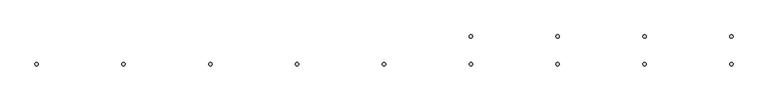
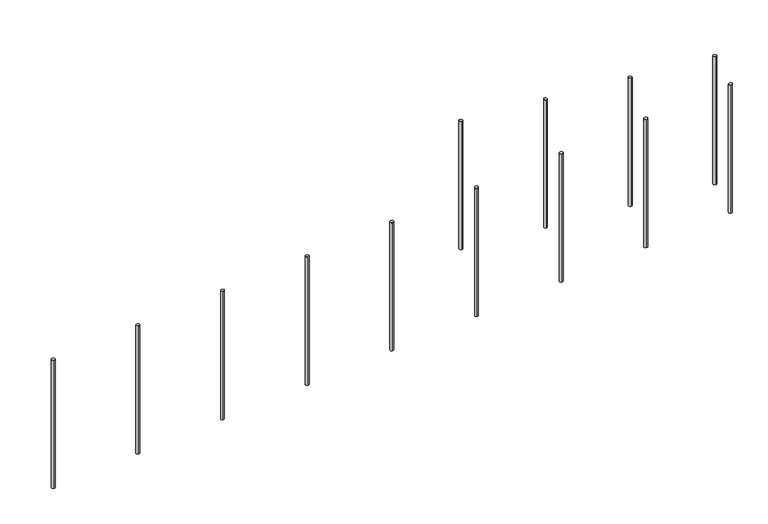
"""IFC4 building model written with IfcOpenShell, lengths in millimetres: railing geometry."""

from ifc_helpers import new_model, si_unit, frame, origin, place, context, project, spatial, ellipse_curve, source, transform, mapped, element, save
from ifc_brep_helpers import plane_surface, cylinder_surface, advanced_brep


def railing_ec26ceb6(model_context):
    return source(origin(), model_context, "Body", "AdvancedBrep", [
        advanced_brep(
        [(-8239.9887159, -19526.8920513, 219.8722041), (-8239.9887159, -19526.8920513, -580.0), (-8239.9887159, -19546.8920513, -580.0), (-8239.9887159, -19546.8920513, 219.8722041)],
        [
            (0, 1),
            (1, 2, ellipse_curve(frame((-8239.9887159, -19536.8920513, -580.0), z_axis=(0.07974522228288976, 0.0, 0.9968152785361251), x_axis=(-0.9968152785361251, 0.0, 0.07974522228288902)), 10.031949, 10.0)),
            (2, 3),
            (3, 0, ellipse_curve(frame((-8239.9887159, -19536.8920513, 219.8722041), z_axis=(-0.07974522228288877, 0.0, -0.9968152785361252), x_axis=(-0.9968152785361252, 0.0, 0.07974522228288722)), 10.031949, 10.0)),
            (0, 3, ellipse_curve(frame((-8239.9887159, -19536.8920513, 219.8722041), z_axis=(-0.07974522228288877, 0.0, -0.9968152785361252), x_axis=(-0.9968152785361252, 0.0, 0.07974522228288722)), 10.031949, 10.0)),
            (2, 1, ellipse_curve(frame((-8239.9887159, -19536.8920513, -580.0), z_axis=(0.07974522228288976, 0.0, 0.9968152785361251), x_axis=(-0.9968152785361251, 0.0, 0.07974522228288902)), 10.031949, 10.0)),
        ],
        [
            cylinder_surface(frame((-8239.9887159, -19536.8920513, -680.0), z_axis=(0.0, 0.0, 1.0), x_axis=(0.0, -1.0, 0.0)), 10.0),
            plane_surface(frame((-8259.9887159, -19556.8920513, 221.4722041), z_axis=(0.07974522228288877, 0.0, 0.9968152785361252), x_axis=(0.0, 1.0, 0.0))),
            plane_surface(frame((-8219.9887159, -19556.8920513, -581.6), z_axis=(-0.07974522228288976, 0.0, -0.9968152785361251), x_axis=(0.0, 1.0, 0.0))),
        ],
        [
            (0, [[1, 2, 3, 4]]),
            (0, [[-1, 5, -3, 6]]),
            (1, [[-4, -5]]),
            (2, [[-2, -6]]),
        ],
    ),
        advanced_brep(
        [(-7739.9887159, -19526.8920513, 179.8722041), (-7739.9887159, -19526.8920513, -620.0), (-7739.9887159, -19546.8920513, -620.0), (-7739.9887159, -19546.8920513, 179.8722041)],
        [
            (0, 1),
            (1, 2, ellipse_curve(frame((-7739.9887159, -19536.8920513, -620.0), z_axis=(0.07974522228288976, 0.0, 0.9968152785361251), x_axis=(-0.9968152785361251, 0.0, 0.07974522228288902)), 10.031949, 10.0)),
            (2, 3),
            (3, 0, ellipse_curve(frame((-7739.9887159, -19536.8920513, 179.8722041), z_axis=(-0.07974522228288877, 0.0, -0.9968152785361252), x_axis=(-0.9968152785361252, 0.0, 0.07974522228288722)), 10.031949, 10.0)),
            (0, 3, ellipse_curve(frame((-7739.9887159, -19536.8920513, 179.8722041), z_axis=(-0.07974522228288877, 0.0, -0.9968152785361252), x_axis=(-0.9968152785361252, 0.0, 0.07974522228288722)), 10.031949, 10.0)),
            (2, 1, ellipse_curve(frame((-7739.9887159, -19536.8920513, -620.0), z_axis=(0.07974522228288976, 0.0, 0.9968152785361251), x_axis=(-0.9968152785361251, 0.0, 0.07974522228288902)), 10.031949, 10.0)),
        ],
        [
            cylinder_surface(frame((-7739.9887159, -19536.8920513, -720.0), z_axis=(0.0, 0.0, 1.0), x_axis=(0.0, -1.0, 0.0)), 10.0),
            plane_surface(frame((-7759.9887159, -19556.8920513, 181.4722041), z_axis=(0.07974522228288877, 0.0, 0.9968152785361252), x_axis=(0.0, 1.0, 0.0))),
            plane_surface(frame((-7719.9887159, -19556.8920513, -621.6), z_axis=(-0.07974522228288976, 0.0, -0.9968152785361251), x_axis=(0.0, 1.0, 0.0))),
        ],
        [
            (0, [[1, 2, 3, 4]]),
            (0, [[-1, 5, -3, 6]]),
            (1, [[-4, -5]]),
            (2, [[-2, -6]]),
        ],
    ),
        advanced_brep(
        [(-7239.9887159, -19526.8920513, 139.8722041), (-7239.9887159, -19526.8920513, -660.0), (-7239.9887159, -19546.8920513, -660.0), (-7239.9887159, -19546.8920513, 139.8722041)],
        [
            (0, 1),
            (1, 2, ellipse_curve(frame((-7239.9887159, -19536.8920513, -660.0), z_axis=(0.07974522228288976, 0.0, 0.9968152785361251), x_axis=(-0.9968152785361251, 0.0, 0.07974522228288902)), 10.031949, 10.0)),
            (2, 3),
            (3, 0, ellipse_curve(frame((-7239.9887159, -19536.8920513, 139.8722041), z_axis=(-0.07974522228288877, 0.0, -0.9968152785361252), x_axis=(-0.9968152785361252, 0.0, 0.07974522228288722)), 10.031949, 10.0)),
            (0, 3, ellipse_curve(frame((-7239.9887159, -19536.8920513, 139.8722041), z_axis=(-0.07974522228288877, 0.0, -0.9968152785361252), x_axis=(-0.9968152785361252, 0.0, 0.07974522228288722)), 10.031949, 10.0)),
            (2, 1, ellipse_curve(frame((-7239.9887159, -19536.8920513, -660.0), z_axis=(0.07974522228288976, 0.0, 0.9968152785361251), x_axis=(-0.9968152785361251, 0.0, 0.07974522228288902)), 10.031949, 10.0)),
        ],
        [
            cylinder_surface(frame((-7239.9887159, -19536.8920513, -760.0), z_axis=(0.0, 0.0, 1.0), x_axis=(0.0, -1.0, 0.0)), 10.0),
            plane_surface(frame((-7259.9887159, -19556.8920513, 141.4722041), z_axis=(0.07974522228288877, 0.0, 0.9968152785361252), x_axis=(0.0, 1.0, 0.0))),
            plane_surface(frame((-7219.9887159, -19556.8920513, -661.6), z_axis=(-0.07974522228288976, 0.0, -0.9968152785361251), x_axis=(0.0, 1.0, 0.0))),
        ],
        [
            (0, [[1, 2, 3, 4]]),
            (0, [[-1, 5, -3, 6]]),
            (1, [[-4, -5]]),
            (2, [[-2, -6]]),
        ],
    ),
        advanced_brep(
        [(-6739.9887159, -19526.8920513, 99.8722041), (-6739.9887159, -19526.8920513, -700.0), (-6739.9887159, -19546.8920513, -700.0), (-6739.9887159, -19546.8920513, 99.8722041)],
        [
            (0, 1),
            (1, 2, ellipse_curve(frame((-6739.9887159, -19536.8920513, -700.0), z_axis=(0.07974522228288976, 0.0, 0.9968152785361251), x_axis=(-0.9968152785361251, 0.0, 0.07974522228288902)), 10.031949, 10.0)),
            (2, 3),
            (3, 0, ellipse_curve(frame((-6739.9887159, -19536.8920513, 99.8722041), z_axis=(-0.07974522228288877, 0.0, -0.9968152785361252), x_axis=(-0.9968152785361252, 0.0, 0.07974522228288722)), 10.031949, 10.0)),
            (0, 3, ellipse_curve(frame((-6739.9887159, -19536.8920513, 99.8722041), z_axis=(-0.07974522228288877, 0.0, -0.9968152785361252), x_axis=(-0.9968152785361252, 0.0, 0.07974522228288722)), 10.031949, 10.0)),
            (2, 1, ellipse_curve(frame((-6739.9887159, -19536.8920513, -700.0), z_axis=(0.07974522228288976, 0.0, 0.9968152785361251), x_axis=(-0.9968152785361251, 0.0, 0.07974522228288902)), 10.031949, 10.0)),
        ],
        [
            cylinder_surface(frame((-6739.9887159, -19536.8920513, -800.0), z_axis=(0.0, 0.0, 1.0), x_axis=(0.0, -1.0, 0.0)), 10.0),
            plane_surface(frame((-6759.9887159, -19556.8920513, 101.4722041), z_axis=(0.07974522228288877, 0.0, 0.9968152785361252), x_axis=(0.0, 1.0, 0.0))),
            plane_surface(frame((-6719.9887159, -19556.8920513, -701.6), z_axis=(-0.07974522228288976, 0.0, -0.9968152785361251), x_axis=(0.0, 1.0, 0.0))),
        ],
        [
            (0, [[1, 2, 3, 4]]),
            (0, [[-1, 5, -3, 6]]),
            (1, [[-4, -5]]),
            (2, [[-2, -6]]),
        ],
    ),
        advanced_brep(
        [(-6739.9887159, -19706.8920513, 19.8722041), (-6739.9887159, -19706.8920513, -780.0), (-6739.9887159, -19686.8920513, -780.0), (-6739.9887159, -19686.8920513, 19.8722041)],
        [
            (0, 1),
            (1, 2, ellipse_curve(frame((-6739.9887159, -19696.8920513, -780.0), z_axis=(-0.07974522228288976, 0.0, 0.9968152785361251), x_axis=(0.9968152785361251, 0.0, 0.07974522228288902)), 10.031949, 10.0)),
            (2, 3),
            (3, 0, ellipse_curve(frame((-6739.9887159, -19696.8920513, 19.8722041), z_axis=(0.07974522228288877, 0.0, -0.9968152785361252), x_axis=(0.9968152785361252, 0.0, 0.07974522228288722)), 10.031949, 10.0)),
            (0, 3, ellipse_curve(frame((-6739.9887159, -19696.8920513, 19.8722041), z_axis=(0.07974522228288877, 0.0, -0.9968152785361252), x_axis=(0.9968152785361252, 0.0, 0.07974522228288722)), 10.031949, 10.0)),
            (2, 1, ellipse_curve(frame((-6739.9887159, -19696.8920513, -780.0), z_axis=(-0.07974522228288976, 0.0, 0.9968152785361251), x_axis=(0.9968152785361251, 0.0, 0.07974522228288902)), 10.031949, 10.0)),
        ],
        [
            cylinder_surface(frame((-6739.9887159, -19696.8920513, -880.0), z_axis=(0.0, 0.0, 1.0), x_axis=(0.0, 1.0, 0.0)), 10.0),
            plane_surface(frame((-6719.9887159, -19676.8920513, 21.4722041), z_axis=(-0.07974522228288877, 0.0, 0.9968152785361252), x_axis=(0.0, -1.0, 0.0))),
            plane_surface(frame((-6759.9887159, -19676.8920513, -781.6), z_axis=(0.07974522228288976, 0.0, -0.9968152785361251), x_axis=(0.0, -1.0, 0.0))),
        ],
        [
            (0, [[1, 2, 3, 4]]),
            (0, [[-1, 5, -3, 6]]),
            (1, [[-4, -5]]),
            (2, [[-2, -6]]),
        ],
    ),
        advanced_brep(
        [(-7239.9887159, -19706.8920513, -20.1277959), (-7239.9887159, -19706.8920513, -820.0), (-7239.9887159, -19686.8920513, -820.0), (-7239.9887159, -19686.8920513, -20.1277959)],
        [
            (0, 1),
            (1, 2, ellipse_curve(frame((-7239.9887159, -19696.8920513, -820.0), z_axis=(-0.07974522228288976, 0.0, 0.9968152785361251), x_axis=(0.9968152785361251, 0.0, 0.07974522228288902)), 10.031949, 10.0)),
            (2, 3),
            (3, 0, ellipse_curve(frame((-7239.9887159, -19696.8920513, -20.1277959), z_axis=(0.07974522228288877, 0.0, -0.9968152785361252), x_axis=(0.9968152785361252, 0.0, 0.07974522228288722)), 10.031949, 10.0)),
            (0, 3, ellipse_curve(frame((-7239.9887159, -19696.8920513, -20.1277959), z_axis=(0.07974522228288877, 0.0, -0.9968152785361252), x_axis=(0.9968152785361252, 0.0, 0.07974522228288722)), 10.031949, 10.0)),
            (2, 1, ellipse_curve(frame((-7239.9887159, -19696.8920513, -820.0), z_axis=(-0.07974522228288976, 0.0, 0.9968152785361251), x_axis=(0.9968152785361251, 0.0, 0.07974522228288902)), 10.031949, 10.0)),
        ],
        [
            cylinder_surface(frame((-7239.9887159, -19696.8920513, -920.0), z_axis=(0.0, 0.0, 1.0), x_axis=(0.0, 1.0, 0.0)), 10.0),
            plane_surface(frame((-7219.9887159, -19676.8920513, -18.5277959), z_axis=(-0.07974522228288877, 0.0, 0.9968152785361252), x_axis=(0.0, -1.0, 0.0))),
            plane_surface(frame((-7259.9887159, -19676.8920513, -821.6), z_axis=(0.07974522228288976, 0.0, -0.9968152785361251), x_axis=(0.0, -1.0, 0.0))),
        ],
        [
            (0, [[1, 2, 3, 4]]),
            (0, [[-1, 5, -3, 6]]),
            (1, [[-4, -5]]),
            (2, [[-2, -6]]),
        ],
    ),
        advanced_brep(
        [(-7739.9887159, -19706.8920513, -60.1277959), (-7739.9887159, -19706.8920513, -860.0), (-7739.9887159, -19686.8920513, -860.0), (-7739.9887159, -19686.8920513, -60.1277959)],
        [
            (0, 1),
            (1, 2, ellipse_curve(frame((-7739.9887159, -19696.8920513, -860.0), z_axis=(-0.07974522228288976, 0.0, 0.9968152785361251), x_axis=(0.9968152785361251, 0.0, 0.07974522228288902)), 10.031949, 10.0)),
            (2, 3),
            (3, 0, ellipse_curve(frame((-7739.9887159, -19696.8920513, -60.1277959), z_axis=(0.07974522228288877, 0.0, -0.9968152785361252), x_axis=(0.9968152785361252, 0.0, 0.07974522228288722)), 10.031949, 10.0)),
            (0, 3, ellipse_curve(frame((-7739.9887159, -19696.8920513, -60.1277959), z_axis=(0.07974522228288877, 0.0, -0.9968152785361252), x_axis=(0.9968152785361252, 0.0, 0.07974522228288722)), 10.031949, 10.0)),
            (2, 1, ellipse_curve(frame((-7739.9887159, -19696.8920513, -860.0), z_axis=(-0.07974522228288976, 0.0, 0.9968152785361251), x_axis=(0.9968152785361251, 0.0, 0.07974522228288902)), 10.031949, 10.0)),
        ],
        [
            cylinder_surface(frame((-7739.9887159, -19696.8920513, -960.0), z_axis=(0.0, 0.0, 1.0), x_axis=(0.0, 1.0, 0.0)), 10.0),
            plane_surface(frame((-7719.9887159, -19676.8920513, -58.5277959), z_axis=(-0.07974522228288877, 0.0, 0.9968152785361252), x_axis=(0.0, -1.0, 0.0))),
            plane_surface(frame((-7759.9887159, -19676.8920513, -861.6), z_axis=(0.07974522228288976, 0.0, -0.9968152785361251), x_axis=(0.0, -1.0, 0.0))),
        ],
        [
            (0, [[1, 2, 3, 4]]),
            (0, [[-1, 5, -3, 6]]),
            (1, [[-4, -5]]),
            (2, [[-2, -6]]),
        ],
    ),
        advanced_brep(
        [(-8239.9887159, -19706.8920513, -100.1277959), (-8239.9887159, -19706.8920513, -900.0), (-8239.9887159, -19686.8920513, -900.0), (-8239.9887159, -19686.8920513, -100.1277959)],
        [
            (0, 1),
            (1, 2, ellipse_curve(frame((-8239.9887159, -19696.8920513, -900.0), z_axis=(-0.07974522228288976, 0.0, 0.9968152785361251), x_axis=(0.9968152785361251, 0.0, 0.07974522228288902)), 10.031949, 10.0)),
            (2, 3),
            (3, 0, ellipse_curve(frame((-8239.9887159, -19696.8920513, -100.1277959), z_axis=(0.07974522228288877, 0.0, -0.9968152785361252), x_axis=(0.9968152785361252, 0.0, 0.07974522228288722)), 10.031949, 10.0)),
            (0, 3, ellipse_curve(frame((-8239.9887159, -19696.8920513, -100.1277959), z_axis=(0.07974522228288877, 0.0, -0.9968152785361252), x_axis=(0.9968152785361252, 0.0, 0.07974522228288722)), 10.031949, 10.0)),
            (2, 1, ellipse_curve(frame((-8239.9887159, -19696.8920513, -900.0), z_axis=(-0.07974522228288976, 0.0, 0.9968152785361251), x_axis=(0.9968152785361251, 0.0, 0.07974522228288902)), 10.031949, 10.0)),
        ],
        [
            cylinder_surface(frame((-8239.9887159, -19696.8920513, -1000.0), z_axis=(0.0, 0.0, 1.0), x_axis=(0.0, 1.0, 0.0)), 10.0),
            plane_surface(frame((-8219.9887159, -19676.8920513, -98.5277959), z_axis=(-0.07974522228288877, 0.0, 0.9968152785361252), x_axis=(0.0, -1.0, 0.0))),
            plane_surface(frame((-8259.9887159, -19676.8920513, -901.6), z_axis=(0.07974522228288976, 0.0, -0.9968152785361251), x_axis=(0.0, -1.0, 0.0))),
        ],
        [
            (0, [[1, 2, 3, 4]]),
            (0, [[-1, 5, -3, 6]]),
            (1, [[-4, -5]]),
            (2, [[-2, -6]]),
        ],
    ),
        advanced_brep(
        [(-8739.9887159, -19706.8920513, -140.1277959), (-8739.9887159, -19706.8920513, -940.0), (-8739.9887159, -19686.8920513, -940.0), (-8739.9887159, -19686.8920513, -140.1277959)],
        [
            (0, 1),
            (1, 2, ellipse_curve(frame((-8739.9887159, -19696.8920513, -940.0), z_axis=(-0.07974522228288976, 0.0, 0.9968152785361251), x_axis=(0.9968152785361251, 0.0, 0.07974522228288902)), 10.031949, 10.0)),
            (2, 3),
            (3, 0, ellipse_curve(frame((-8739.9887159, -19696.8920513, -140.1277959), z_axis=(0.07974522228288877, 0.0, -0.9968152785361252), x_axis=(0.9968152785361252, 0.0, 0.07974522228288722)), 10.031949, 10.0)),
            (0, 3, ellipse_curve(frame((-8739.9887159, -19696.8920513, -140.1277959), z_axis=(0.07974522228288877, 0.0, -0.9968152785361252), x_axis=(0.9968152785361252, 0.0, 0.07974522228288722)), 10.031949, 10.0)),
            (2, 1, ellipse_curve(frame((-8739.9887159, -19696.8920513, -940.0), z_axis=(-0.07974522228288976, 0.0, 0.9968152785361251), x_axis=(0.9968152785361251, 0.0, 0.07974522228288902)), 10.031949, 10.0)),
        ],
        [
            cylinder_surface(frame((-8739.9887159, -19696.8920513, -1040.0), z_axis=(0.0, 0.0, 1.0), x_axis=(0.0, 1.0, 0.0)), 10.0),
            plane_surface(frame((-8719.9887159, -19676.8920513, -138.5277959), z_axis=(-0.07974522228288877, 0.0, 0.9968152785361252), x_axis=(0.0, -1.0, 0.0))),
            plane_surface(frame((-8759.9887159, -19676.8920513, -941.6), z_axis=(0.07974522228288976, 0.0, -0.9968152785361251), x_axis=(0.0, -1.0, 0.0))),
        ],
        [
            (0, [[1, 2, 3, 4]]),
            (0, [[-1, 5, -3, 6]]),
            (1, [[-4, -5]]),
            (2, [[-2, -6]]),
        ],
    ),
        advanced_brep(
        [(-9239.9887159, -19706.8920513, -180.1277959), (-9239.9887159, -19706.8920513, -980.0), (-9239.9887159, -19686.8920513, -980.0), (-9239.9887159, -19686.8920513, -180.1277959)],
        [
            (0, 1),
            (1, 2, ellipse_curve(frame((-9239.9887159, -19696.8920513, -980.0), z_axis=(-0.07974522228288976, 0.0, 0.9968152785361251), x_axis=(0.9968152785361251, 0.0, 0.07974522228288902)), 10.031949, 10.0)),
            (2, 3),
            (3, 0, ellipse_curve(frame((-9239.9887159, -19696.8920513, -180.1277959), z_axis=(0.07974522228288877, 0.0, -0.9968152785361252), x_axis=(0.9968152785361252, 0.0, 0.07974522228288722)), 10.031949, 10.0)),
            (0, 3, ellipse_curve(frame((-9239.9887159, -19696.8920513, -180.1277959), z_axis=(0.07974522228288877, 0.0, -0.9968152785361252), x_axis=(0.9968152785361252, 0.0, 0.07974522228288722)), 10.031949, 10.0)),
            (2, 1, ellipse_curve(frame((-9239.9887159, -19696.8920513, -980.0), z_axis=(-0.07974522228288976, 0.0, 0.9968152785361251), x_axis=(0.9968152785361251, 0.0, 0.07974522228288902)), 10.031949, 10.0)),
        ],
        [
            cylinder_surface(frame((-9239.9887159, -19696.8920513, -1080.0), z_axis=(0.0, 0.0, 1.0), x_axis=(0.0, 1.0, 0.0)), 10.0),
            plane_surface(frame((-9219.9887159, -19676.8920513, -178.5277959), z_axis=(-0.07974522228288877, 0.0, 0.9968152785361252), x_axis=(0.0, -1.0, 0.0))),
            plane_surface(frame((-9259.9887159, -19676.8920513, -981.6), z_axis=(0.07974522228288976, 0.0, -0.9968152785361251), x_axis=(0.0, -1.0, 0.0))),
        ],
        [
            (0, [[1, 2, 3, 4]]),
            (0, [[-1, 5, -3, 6]]),
            (1, [[-4, -5]]),
            (2, [[-2, -6]]),
        ],
    ),
        advanced_brep(
        [(-9739.9887159, -19706.8920513, -220.1277959), (-9739.9887159, -19706.8920513, -1020.0), (-9739.9887159, -19686.8920513, -1020.0), (-9739.9887159, -19686.8920513, -220.1277959)],
        [
            (0, 1),
            (1, 2, ellipse_curve(frame((-9739.9887159, -19696.8920513, -1020.0), z_axis=(-0.07974522228288976, 0.0, 0.9968152785361251), x_axis=(0.9968152785361251, 0.0, 0.07974522228288902)), 10.031949, 10.0)),
            (2, 3),
            (3, 0, ellipse_curve(frame((-9739.9887159, -19696.8920513, -220.1277959), z_axis=(0.07974522228288877, 0.0, -0.9968152785361252), x_axis=(0.9968152785361252, 0.0, 0.07974522228288722)), 10.031949, 10.0)),
            (0, 3, ellipse_curve(frame((-9739.9887159, -19696.8920513, -220.1277959), z_axis=(0.07974522228288877, 0.0, -0.9968152785361252), x_axis=(0.9968152785361252, 0.0, 0.07974522228288722)), 10.031949, 10.0)),
            (2, 1, ellipse_curve(frame((-9739.9887159, -19696.8920513, -1020.0), z_axis=(-0.07974522228288976, 0.0, 0.9968152785361251), x_axis=(0.9968152785361251, 0.0, 0.07974522228288902)), 10.031949, 10.0)),
        ],
        [
            cylinder_surface(frame((-9739.9887159, -19696.8920513, -1120.0), z_axis=(0.0, 0.0, 1.0), x_axis=(0.0, 1.0, 0.0)), 10.0),
            plane_surface(frame((-9719.9887159, -19676.8920513, -218.5277959), z_axis=(-0.07974522228288877, 0.0, 0.9968152785361252), x_axis=(0.0, -1.0, 0.0))),
            plane_surface(frame((-9759.9887159, -19676.8920513, -1021.6), z_axis=(0.07974522228288976, 0.0, -0.9968152785361251), x_axis=(0.0, -1.0, 0.0))),
        ],
        [
            (0, [[1, 2, 3, 4]]),
            (0, [[-1, 5, -3, 6]]),
            (1, [[-4, -5]]),
            (2, [[-2, -6]]),
        ],
    ),
        advanced_brep(
        [(-10239.9887159, -19706.8920513, -260.1277959), (-10239.9887159, -19706.8920513, -1060.0), (-10239.9887159, -19686.8920513, -1060.0), (-10239.9887159, -19686.8920513, -260.1277959)],
        [
            (0, 1),
            (1, 2, ellipse_curve(frame((-10239.9887159, -19696.8920513, -1060.0), z_axis=(-0.07974522228288976, 0.0, 0.9968152785361251), x_axis=(0.9968152785361251, 0.0, 0.07974522228288902)), 10.031949, 10.0)),
            (2, 3),
            (3, 0, ellipse_curve(frame((-10239.9887159, -19696.8920513, -260.1277959), z_axis=(0.07974522228288877, 0.0, -0.9968152785361252), x_axis=(0.9968152785361252, 0.0, 0.07974522228288722)), 10.031949, 10.0)),
            (0, 3, ellipse_curve(frame((-10239.9887159, -19696.8920513, -260.1277959), z_axis=(0.07974522228288877, 0.0, -0.9968152785361252), x_axis=(0.9968152785361252, 0.0, 0.07974522228288722)), 10.031949, 10.0)),
            (2, 1, ellipse_curve(frame((-10239.9887159, -19696.8920513, -1060.0), z_axis=(-0.07974522228288976, 0.0, 0.9968152785361251), x_axis=(0.9968152785361251, 0.0, 0.07974522228288902)), 10.031949, 10.0)),
        ],
        [
            cylinder_surface(frame((-10239.9887159, -19696.8920513, -1160.0), z_axis=(0.0, 0.0, 1.0), x_axis=(0.0, 1.0, 0.0)), 10.0),
            plane_surface(frame((-10219.9887159, -19676.8920513, -258.5277959), z_axis=(-0.07974522228288877, 0.0, 0.9968152785361252), x_axis=(0.0, -1.0, 0.0))),
            plane_surface(frame((-10259.9887159, -19676.8920513, -1061.6), z_axis=(0.07974522228288976, 0.0, -0.9968152785361251), x_axis=(0.0, -1.0, 0.0))),
        ],
        [
            (0, [[1, 2, 3, 4]]),
            (0, [[-1, 5, -3, 6]]),
            (1, [[-4, -5]]),
            (2, [[-2, -6]]),
        ],
    ),
        advanced_brep(
        [(-10739.9887159, -19706.8920513, -300.1277959), (-10739.9887159, -19706.8920513, -1100.0), (-10739.9887159, -19686.8920513, -1100.0), (-10739.9887159, -19686.8920513, -300.1277959)],
        [
            (0, 1),
            (1, 2, ellipse_curve(frame((-10739.9887159, -19696.8920513, -1100.0), z_axis=(-0.07974522228288976, 0.0, 0.9968152785361251), x_axis=(0.9968152785361251, 0.0, 0.07974522228288902)), 10.031949, 10.0)),
            (2, 3),
            (3, 0, ellipse_curve(frame((-10739.9887159, -19696.8920513, -300.1277959), z_axis=(0.07974522228288877, 0.0, -0.9968152785361252), x_axis=(0.9968152785361252, 0.0, 0.07974522228288722)), 10.031949, 10.0)),
            (0, 3, ellipse_curve(frame((-10739.9887159, -19696.8920513, -300.1277959), z_axis=(0.07974522228288877, 0.0, -0.9968152785361252), x_axis=(0.9968152785361252, 0.0, 0.07974522228288722)), 10.031949, 10.0)),
            (2, 1, ellipse_curve(frame((-10739.9887159, -19696.8920513, -1100.0), z_axis=(-0.07974522228288976, 0.0, 0.9968152785361251), x_axis=(0.9968152785361251, 0.0, 0.07974522228288902)), 10.031949, 10.0)),
        ],
        [
            cylinder_surface(frame((-10739.9887159, -19696.8920513, -1200.0), z_axis=(0.0, 0.0, 1.0), x_axis=(0.0, 1.0, 0.0)), 10.0),
            plane_surface(frame((-10719.9887159, -19676.8920513, -298.5277959), z_axis=(-0.07974522228288877, 0.0, 0.9968152785361252), x_axis=(0.0, -1.0, 0.0))),
            plane_surface(frame((-10759.9887159, -19676.8920513, -1101.6), z_axis=(0.07974522228288976, 0.0, -0.9968152785361251), x_axis=(0.0, -1.0, 0.0))),
        ],
        [
            (0, [[1, 2, 3, 4]]),
            (0, [[-1, 5, -3, 6]]),
            (1, [[-4, -5]]),
            (2, [[-2, -6]]),
        ],
    ),
    ])


if __name__ == "__main__":
    model = new_model("IFC4")
    model_context = context("Model", 3, world=origin())
    ifc_project = project(units=[si_unit("LENGTHUNIT", "METRE", prefix="MILLI")], contexts=[model_context])
    site = spatial("IfcSite", under=ifc_project)
    building = spatial("IfcBuilding", under=site)
    placement = place(None, origin())
    railing_shape = railing_ec26ceb6(model_context)
    element("IfcRailing", 1, at=placement, inside=building, context=model_context, shape_type="MappedRepresentation", body=[
        mapped(railing_shape, transform((0.0, 0.0, 0.0), x_axis=(1.0, 0.0, 0.0), y_axis=(0.0, 1.0, 0.0), z_axis=(0.0, 0.0, 1.0))),
    ])
    save(model, "model.ifc")
